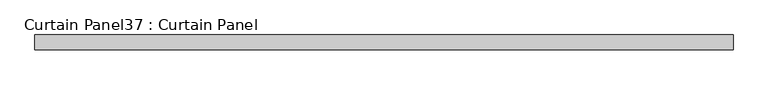
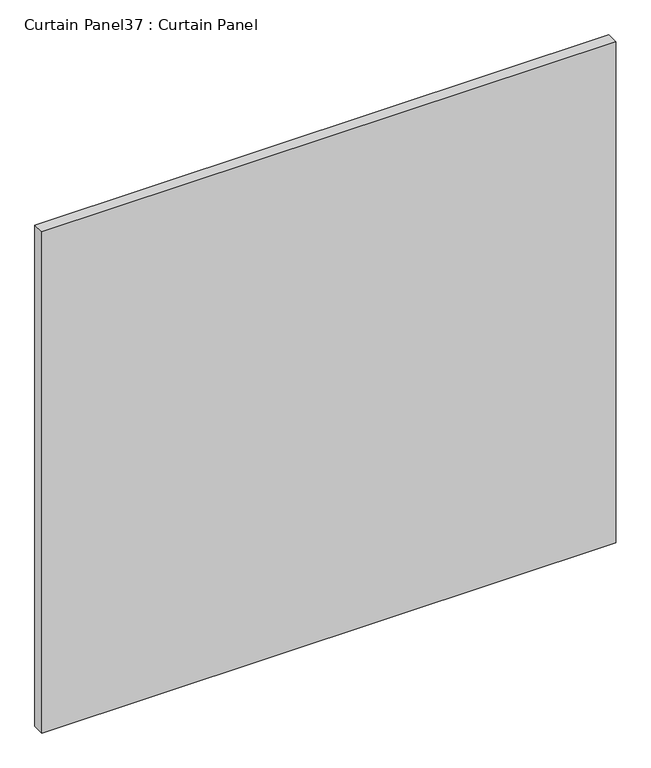
"""IFC4 building model written with IfcOpenShell, lengths in millimetres: plate geometry, Curtain Panel37 : Curtain Panel."""

from ifc_helpers import new_model, si_unit, frame, origin, place, context, project, spatial, polyline, outline, extrude, source, transform, mapped, element, save


def curtain_panel37_curtain_panel_03b45fe9(model_context):
    return source(origin(), model_context, "Body", "SweptSolid", [
        extrude(outline(polyline([(-412624.3652248, 3483.7345246), (-413824.5149983, 3483.7345246), (-413824.5149983, 3509.1345246), (-412624.3652248, 3509.1345246), (-412624.3652248, 3483.7345246)])), frame((0.0, 0.0, 2447.9251132), z_axis=(0.0, 0.0, 1.0), x_axis=(1.0, 0.0, 0.0)), (0.0, 0.0, 1.0), 1107.5851068),
    ])


if __name__ == "__main__":
    model = new_model("IFC4")
    model_context = context("Model", 3, world=origin())
    ifc_project = project(units=[si_unit("LENGTHUNIT", "METRE", prefix="MILLI")], contexts=[model_context])
    site = spatial("IfcSite", under=ifc_project)
    building = spatial("IfcBuilding", under=site)
    placement = place(None, origin())
    curtain_panel37_curtain_panel_shape = curtain_panel37_curtain_panel_03b45fe9(model_context)
    element("IfcPlate", 1, ObjectType="Curtain Panel37 : Curtain Panel", at=placement, inside=building, context=model_context, shape_type="MappedRepresentation", body=[
        mapped(curtain_panel37_curtain_panel_shape, transform((0.0, 0.0, 0.0), x_axis=(1.0, 0.0, 0.0), y_axis=(0.0, 1.0, 0.0), z_axis=(0.0, 0.0, 1.0))),
    ])
    save(model, "model.ifc")
